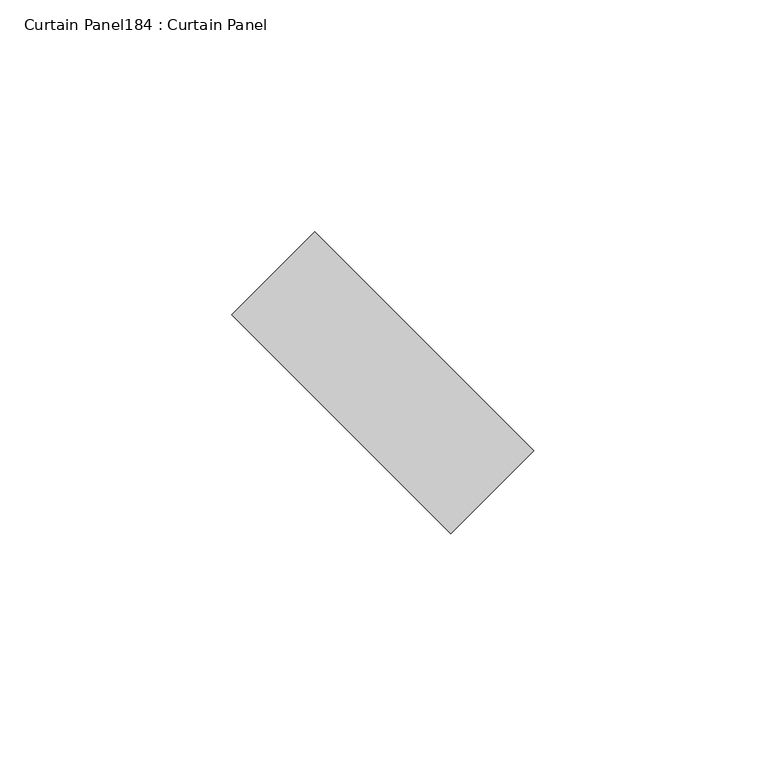
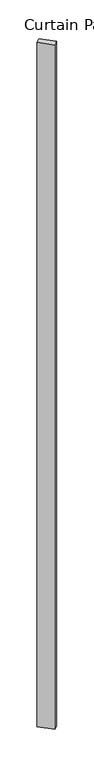
"""IFC4 building model written with IfcOpenShell, lengths in millimetres: plate geometry, Curtain Panel184 : Curtain Panel."""

from ifc_helpers import new_model, si_unit, frame, origin, place, context, project, spatial, polyline, outline, extrude, source, transform, mapped, element, save


def curtain_panel184_curtain_panel_f39bd5a1(model_context):
    return source(origin(), model_context, "Body", "SweptSolid", [
        extrude(outline(polyline([(590521.2199887, 2368.042044), (590568.4405213, 2320.8215113), (590550.4800091, 2302.8609991), (590503.2594764, 2350.0815317), (590521.2199887, 2368.042044)])), frame((0.0, 0.0, 4959.7989371), z_axis=(0.0, 0.0, 1.0), x_axis=(1.0, 0.0, 0.0)), (0.0, 0.0, 1.0), 3048.0),
    ])


if __name__ == "__main__":
    model = new_model("IFC4")
    model_context = context("Model", 3, world=origin())
    ifc_project = project(units=[si_unit("LENGTHUNIT", "METRE", prefix="MILLI")], contexts=[model_context])
    site = spatial("IfcSite", under=ifc_project)
    building = spatial("IfcBuilding", under=site)
    placement = place(None, origin())
    curtain_panel184_curtain_panel_shape = curtain_panel184_curtain_panel_f39bd5a1(model_context)
    element("IfcPlate", 1, ObjectType="Curtain Panel184 : Curtain Panel", at=placement, inside=building, context=model_context, shape_type="MappedRepresentation", body=[
        mapped(curtain_panel184_curtain_panel_shape, transform((0.0, 0.0, 0.0), x_axis=(1.0, 0.0, 0.0), y_axis=(0.0, 1.0, 0.0), z_axis=(0.0, 0.0, 1.0))),
    ])
    save(model, "model.ifc")
